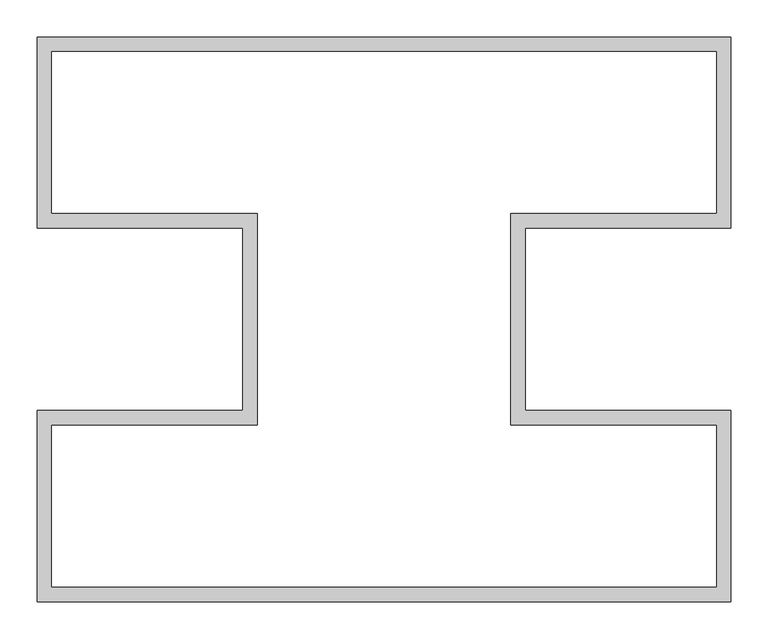
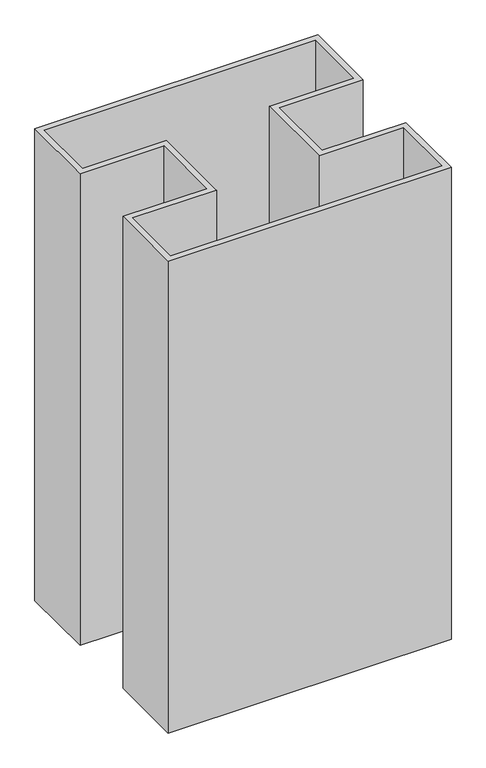
"""IFC4 building model written with IfcOpenShell, lengths in millimetres: proxy geometry."""

from ifc_helpers import new_model, si_unit, origin, origin_with_axes, place, context, project, spatial, polyline, outline, extrude, source, transform, mapped, element, save


def generic_models_5c77eda9(model_context):
    return source(origin(), model_context, "Body", "SweptSolid", [
        extrude(outline(polyline([(-468.81061, 123.4212266), (-468.81061, 381.7992023), (468.81061, 381.7992023), (468.81061, 123.4212266), (190.8750045, 123.4212266), (190.8750045, -123.4212266), (468.81061, -123.4212266), (468.81061, -381.7992023), (-468.81061, -381.7992023), (-468.81061, -123.4212266), (-190.8750045, -123.4212266), (-190.8750045, 123.4212266), (-468.81061, 123.4212266)]), holes=[polyline([(-448.81061, 143.4212266), (-170.8750045, 143.4212266), (-170.8750045, -143.4212266), (-448.81061, -143.4212266), (-448.81061, -361.7992023), (448.81061, -361.7992023), (448.81061, -143.4212266), (170.8750045, -143.4212266), (170.8750045, 143.4212266), (448.81061, 143.4212266), (448.81061, 361.7992023), (-448.81061, 361.7992023), (-448.81061, 143.4212266)])]), origin_with_axes(), (0.0, 0.0, 1.0), 1650.624144),
    ])


if __name__ == "__main__":
    model = new_model("IFC4")
    model_context = context("Model", 3, world=origin())
    ifc_project = project(units=[si_unit("LENGTHUNIT", "METRE", prefix="MILLI")], contexts=[model_context])
    site = spatial("IfcSite", under=ifc_project)
    building = spatial("IfcBuilding", under=site)
    placement = place(None, origin())
    generic_models_shape = generic_models_5c77eda9(model_context)
    element("IfcBuildingElementProxy", 1, Name="Generic Models", at=placement, inside=building, context=model_context, shape_type="MappedRepresentation", body=[
        mapped(generic_models_shape, transform((0.0, 0.0, 0.0), x_axis=(1.0, 0.0, 0.0), y_axis=(0.0, 1.0, 0.0), z_axis=(0.0, 0.0, 1.0))),
    ])
    save(model, "model.ifc")
